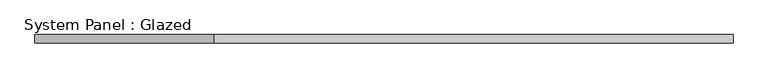
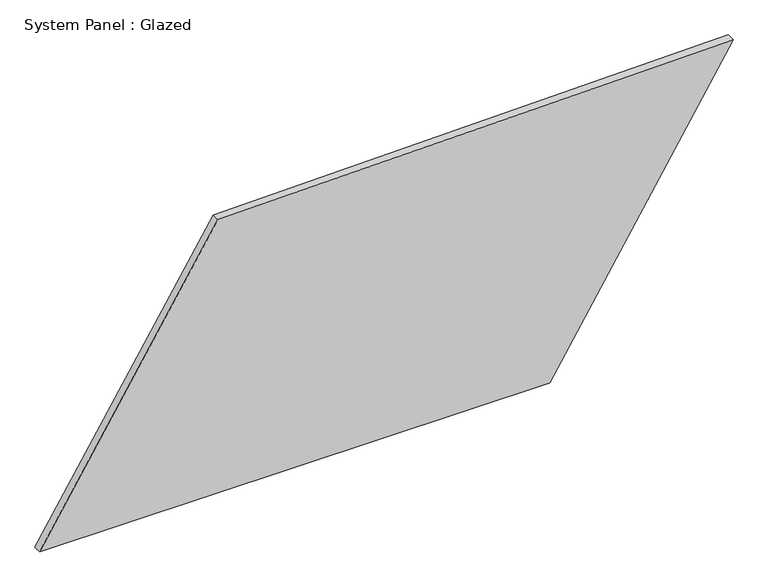
"""IFC4 building model written with IfcOpenShell, lengths in millimetres: plate geometry, System Panel : Glazed."""

from ifc_helpers import new_model, si_unit, frame, origin, place, context, project, spatial, polyline, outline, extrude, source, transform, mapped, element, save


def system_panel_glazed_f45084f6(model_context):
    return source(origin(), model_context, "Body", "SweptSolid", [
        extrude(outline(polyline([(0.0, -1066.1397617), (0.0, 502.8070374), (919.8986037, 1066.1397617), (888.9075251, -518.4410657), (0.0, -1066.1397617)])), frame((0.0, -49.5, 0.0), z_axis=(0.0, 1.0, 0.0), x_axis=(0.0, 0.0, 1.0)), (0.0, 0.0, 1.0), 25.0),
    ])


if __name__ == "__main__":
    model = new_model("IFC4")
    model_context = context("Model", 3, world=origin())
    ifc_project = project(units=[si_unit("LENGTHUNIT", "METRE", prefix="MILLI")], contexts=[model_context])
    site = spatial("IfcSite", under=ifc_project)
    building = spatial("IfcBuilding", under=site)
    placement = place(None, origin())
    system_panel_glazed_shape = system_panel_glazed_f45084f6(model_context)
    element("IfcPlate", 1, ObjectType="System Panel : Glazed", at=placement, inside=building, context=model_context, shape_type="MappedRepresentation", body=[
        mapped(system_panel_glazed_shape, transform((0.0, 0.0, 0.0), x_axis=(1.0, 0.0, 0.0), y_axis=(0.0, 1.0, 0.0), z_axis=(0.0, 0.0, 1.0))),
    ])
    save(model, "model.ifc")
